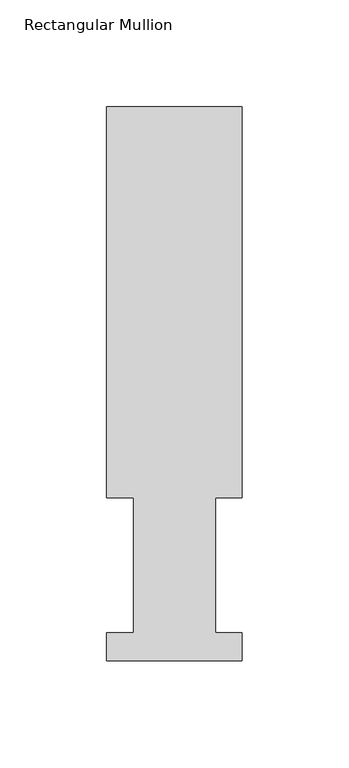
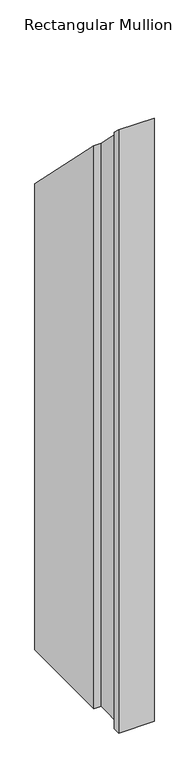
"""IFC4 building model written with IfcOpenShell, lengths in millimetres: member geometry, Rectangular Mullion."""

from ifc_helpers import new_model, si_unit, origin, place, context, project, spatial, faceted_brep, source, transform, mapped, element, save


def rectangular_mullion_9320ef2c(model_context):
    return source(origin(), model_context, "Body", "Brep", [
        faceted_brep([(-63.5, 76.2992187, -1142.5174), (-63.5, 259.4591074, -1142.5174), (0.0, 259.4591074, -1142.5174), (0.0, 76.2992187, -1142.5174), (-12.3418395, 76.2992187, -1142.5174), (-12.3418395, 13.1492189, -1142.5174), (0.0, 13.1492189, -1142.5174), (0.0, -0.0333811, -1142.5174), (-63.5, -0.0333811, -1142.5174), (-63.5, 13.1492189, -1142.5174), (-50.8, 13.1492189, -1142.5174), (-50.8, 76.2992187, -1142.5174), (-50.8, 76.2992187, -76.2992188), (-63.5, 76.2992187, -76.2992188), (-50.8, 13.1492189, -13.1492189), (-63.5, 13.1492189, -13.1492189), (-63.5, -0.0333811, 0.0333811), (0.0, -0.0333811, 0.0333811), (0.0, 13.1492189, -13.1492189), (-12.3418395, 13.1492189, -13.1492189), (-12.3418395, 76.2992187, -76.2992188), (0.0, 76.2992187, -76.2992188), (0.0, 259.4591074, -259.4591074), (-63.5, 259.4591074, -259.4591074)], [[[0, 1, 2, 3, 4, 5, 6, 7, 8, 9, 10, 11]], [[12, 13, 0, 11]], [[14, 12, 11, 10]], [[15, 14, 10, 9]], [[16, 15, 9, 8]], [[17, 16, 8, 7]], [[18, 17, 7, 6]], [[19, 18, 6, 5]], [[20, 19, 5, 4]], [[21, 20, 4, 3]], [[22, 21, 3, 2]], [[23, 22, 2, 1]], [[13, 23, 1, 0]], [[13, 12, 14, 15, 16, 17, 18, 19, 20, 21, 22, 23]]]),
    ])


if __name__ == "__main__":
    model = new_model("IFC4")
    model_context = context("Model", 3, world=origin())
    ifc_project = project(units=[si_unit("LENGTHUNIT", "METRE", prefix="MILLI")], contexts=[model_context])
    site = spatial("IfcSite", under=ifc_project)
    building = spatial("IfcBuilding", under=site)
    placement = place(None, origin())
    rectangular_mullion_shape = rectangular_mullion_9320ef2c(model_context)
    element("IfcMember", 1, ObjectType="Rectangular Mullion", at=placement, inside=building, context=model_context, shape_type="MappedRepresentation", body=[
        mapped(rectangular_mullion_shape, transform((0.0, 0.0, 0.0), x_axis=(1.0, 0.0, 0.0), y_axis=(0.0, 1.0, 0.0), z_axis=(0.0, 0.0, 1.0))),
    ])
    save(model, "model.ifc")
